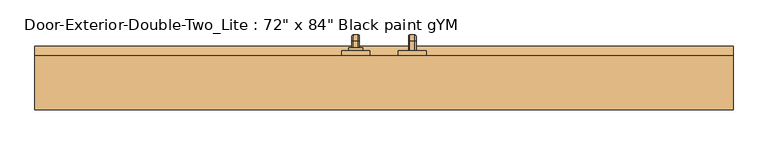
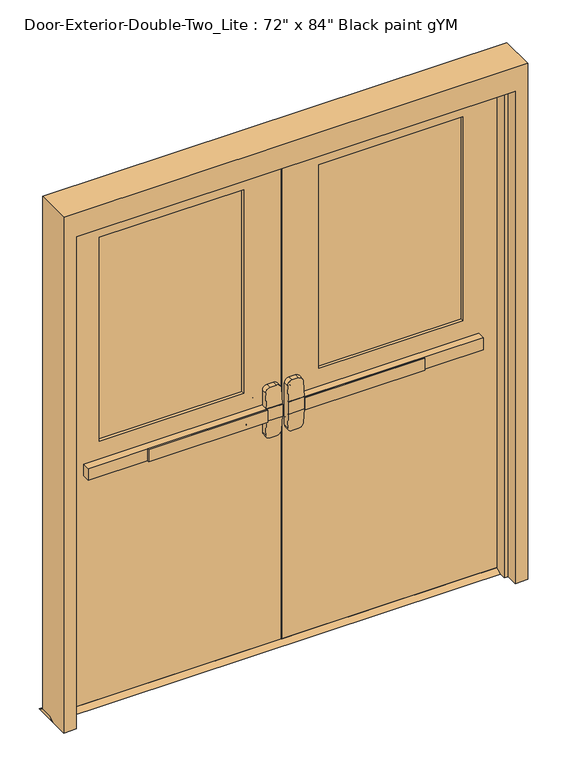
"""IFC4 building model written with IfcOpenShell, lengths in millimetres: door geometry."""

from ifc_helpers import new_model, si_unit, point, frame, frame_2d, origin, place, context, project, spatial, polyline, circle_curve, ellipse_curve, trimmed, segment, composite_curve, outline, extrude, faceted_brep, source, transform, mapped, element, save
from ifc_brep_helpers import plane_surface, cylinder_surface, revolved_surface, advanced_brep


def door_300db761(model_context):
    return source(origin(), model_context, "Body", "SolidModel", [
        extrude(outline(polyline([(-558.8, 78.7003125), (-558.8, 85.0503125), (-76.2, 85.0503125), (-76.2, 78.7003125), (-558.8, 78.7003125)])), frame((0.0, 0.0, 990.6), z_axis=(0.0, 0.0, 1.0), x_axis=(1.0, 0.0, 0.0)), (0.0, 0.0, 1.0), 50.8),
        advanced_brep(
        [(-12.7, 85.0503125, 1041.4), (-76.2, 85.0503125, 1041.4), (-800.1, 85.0503125, 1041.4), (-800.1, 85.0503125, 990.6), (-76.2, 85.0503125, 990.6), (-12.7, 85.0503125, 990.6), (-800.1, 116.8003125, 1041.4), (-76.2, 116.8003125, 1041.4), (-76.2, 116.8003125, 1104.9), (-57.15, 116.8003125, 1123.95), (-31.75, 116.8003125, 1123.95), (-12.7, 116.8003125, 1104.9), (-12.7, 116.8003125, 927.1), (-31.75, 116.8003125, 908.05), (-57.15, 116.8003125, 908.05), (-76.2, 116.8003125, 927.1), (-76.2, 116.8003125, 990.6), (-800.1, 116.8003125, 990.6), (-12.7, 88.2255592, 1041.4), (-76.2, 88.2255592, 1041.4), (-12.7, 88.2255592, 990.6), (-12.7, 93.2357394, 927.1), (-12.7, 93.2357394, 1104.9), (-76.2, 88.2255592, 990.6), (-76.2, 93.2357394, 1104.9), (-76.2, 93.2357394, 927.1), (-57.15, 94.7387935, 1123.95), (-31.75, 94.7387935, 1123.95), (-31.75, 94.7387935, 908.05), (-57.15, 94.7387935, 908.05)],
        [
            (0, 1),
            (1, 2),
            (2, 3),
            (3, 4),
            (4, 5),
            (5, 0),
            (6, 7),
            (7, 8),
            (8, 9, circle_curve(frame((-57.15, 116.8003125, 1104.9), z_axis=(0.0, 1.0, 0.0), x_axis=(-1.0, 0.0, 0.0)), 19.05)),
            (9, 10),
            (10, 11, circle_curve(frame((-31.75, 116.8003125, 1104.9), z_axis=(0.0, 1.0, 0.0), x_axis=(-1.0, 0.0, 0.0)), 19.05)),
            (11, 12),
            (12, 13, circle_curve(frame((-31.75, 116.8003125, 927.1), z_axis=(0.0, 1.0, 0.0), x_axis=(-1.0, 0.0, 0.0)), 19.05)),
            (13, 14),
            (14, 15, circle_curve(frame((-57.15, 116.8003125, 927.1), z_axis=(0.0, 1.0, 0.0), x_axis=(-1.0, 0.0, 0.0)), 19.05)),
            (15, 16),
            (16, 17),
            (17, 6),
            (0, 18),
            (18, 19),
            (19, 7),
            (6, 2),
            (5, 20),
            (20, 21),
            (21, 12),
            (11, 22),
            (22, 18),
            (16, 23),
            (23, 20),
            (3, 17),
            (19, 24),
            (24, 8),
            (15, 25),
            (25, 23),
            (9, 26),
            (26, 27),
            (27, 10),
            (13, 28),
            (28, 29),
            (29, 14),
            (29, 25, ellipse_curve(frame((-57.15, 93.2357394, 927.1), z_axis=(0.0, 0.9969018152893365, 0.07865602756830282), x_axis=(0.0, -0.07865602756830208, 0.9969018152893365)), 19.1092038, 19.05)),
            (24, 26, ellipse_curve(frame((-57.15, 93.2357394, 1104.9), z_axis=(0.0, 0.9969018152893376, -0.07865602756828934), x_axis=(0.0, -0.078656027568288, -0.9969018152893377)), 19.1092038, 19.05)),
            (27, 22, ellipse_curve(frame((-31.75, 93.2357394, 1104.9), z_axis=(0.0, 0.9969018152893376, -0.07865602756828934), x_axis=(0.0, -0.078656027568288, -0.9969018152893377)), 19.1092038, 19.05)),
            (21, 28, ellipse_curve(frame((-31.75, 93.2357394, 927.1), z_axis=(0.0, 0.9969018152893365, 0.07865602756830282), x_axis=(0.0, -0.07865602756830208, 0.9969018152893365)), 19.1092038, 19.05)),
        ],
        [
            plane_surface(frame((-12.7, 85.0503125, 1041.4), z_axis=(0.0, -1.0, 0.0), x_axis=(1.0, 0.0, 0.0))),
            plane_surface(frame((-12.7, 116.8003125, 1041.4), z_axis=(0.0, 1.0, 0.0), x_axis=(-1.0, 0.0, 0.0))),
            plane_surface(frame((-800.1, 85.0503125, 1041.4), z_axis=(0.0, 0.0, 1.0), x_axis=(0.0, 1.0, 0.0))),
            plane_surface(frame((-12.7, 85.0503125, 1041.4), z_axis=(1.0, 0.0, 0.0), x_axis=(0.0, 1.0, 0.0))),
            plane_surface(frame((-12.7, 85.0503125, 990.6), z_axis=(0.0, 0.0, -1.0), x_axis=(0.0, 1.0, 0.0))),
            plane_surface(frame((-800.1, 85.0503125, 990.6), z_axis=(-1.0, 0.0, 0.0), x_axis=(0.0, 1.0, 0.0))),
            plane_surface(frame((-76.2, 88.2255592, 927.1), z_axis=(-1.0, 0.0, 0.0), x_axis=(0.0, 1.0, 0.0))),
            plane_surface(frame((-57.15, 88.2255592, 1123.95), z_axis=(0.0, 0.0, 1.0), x_axis=(0.0, 1.0, 0.0))),
            plane_surface(frame((-31.75, 88.2255592, 908.05), z_axis=(0.0, 0.0, -1.0), x_axis=(0.0, 1.0, 0.0))),
            cylinder_surface(frame((-57.15, 116.8003125, 927.1), z_axis=(0.0, -1.0, 0.0), x_axis=(-1.0, 0.0, 0.0)), 19.05),
            cylinder_surface(frame((-57.15, 116.8003125, 1104.9), z_axis=(0.0, -1.0, 0.0), x_axis=(-1.0, 0.0, 0.0)), 19.05),
            cylinder_surface(frame((-31.75, 116.8003125, 1104.9), z_axis=(0.0, -1.0, 0.0), x_axis=(-1.0, 0.0, 0.0)), 19.05),
            cylinder_surface(frame((-31.75, 116.8003125, 927.1), z_axis=(0.0, -1.0, 0.0), x_axis=(-1.0, 0.0, 0.0)), 19.05),
            plane_surface(frame((-76.2, 88.2255592, 1041.4), z_axis=(0.0, -0.9969018152893376, 0.07865602756828934), x_axis=(1.0, 0.0, 0.0))),
            plane_surface(frame((-76.2, 94.7387935, 908.05), z_axis=(0.0, -0.9969018152893365, -0.07865602756830282), x_axis=(1.0, 0.0, 0.0))),
        ],
        [
            (0, [[1, 2, 3, 4, 5, 6]]),
            (1, [[7, 8, 9, 10, 11, 12, 13, 14, 15, 16, 17, 18]]),
            (2, [[-2, -1, 19, 20, 21, -7, 22]]),
            (3, [[23, 24, 25, -12, 26, 27, -19, -6]]),
            (4, [[-17, 28, 29, -23, -5, -4, 30]]),
            (5, [[-22, -18, -30, -3]]),
            (6, [[-21, 31, 32, -8]]),
            (6, [[33, 34, -28, -16]]),
            (7, [[35, 36, 37, -10]]),
            (8, [[38, 39, 40, -14]]),
            (9, [[-40, 41, -33, -15]]),
            (10, [[-32, 42, -35, -9]]),
            (11, [[-37, 43, -26, -11]]),
            (12, [[-25, 44, -38, -13]]),
            (13, [[-27, -43, -36, -42, -31, -20]]),
            (14, [[-29, -34, -41, -39, -44, -24]]),
        ],
    ),
        extrude(outline(polyline([(161.2503125, 12.7), (186.6503125, 0.0), (91.4003125, 0.0), (116.8003125, 12.7), (161.2503125, 12.7)])), frame((-939.8, 0.0, 0.0), z_axis=(1.0, 0.0, 0.0), x_axis=(0.0, 1.0, 0.0)), (0.0, 0.0, 1.0), 1879.6),
        extrude(outline(polyline([(558.8, 78.7003125), (76.2, 78.7003125), (76.2, 85.0503125), (558.8, 85.0503125), (558.8, 78.7003125)])), frame((0.0, 0.0, 990.6), z_axis=(0.0, 0.0, 1.0), x_axis=(1.0, 0.0, 0.0)), (0.0, 0.0, 1.0), 50.8),
        advanced_brep(
        [(12.7, 85.0503125, 1041.4), (12.7, 85.0503125, 990.6), (76.2, 85.0503125, 990.6), (800.1, 85.0503125, 990.6), (800.1, 85.0503125, 1041.4), (76.2, 85.0503125, 1041.4), (800.1, 116.8003125, 1041.4), (800.1, 116.8003125, 990.6), (76.2, 116.8003125, 990.6), (76.2, 116.8003125, 927.1), (57.15, 116.8003125, 908.05), (31.75, 116.8003125, 908.05), (12.7, 116.8003125, 927.1), (12.7, 116.8003125, 1104.9), (31.75, 116.8003125, 1123.95), (57.15, 116.8003125, 1123.95), (76.2, 116.8003125, 1104.9), (76.2, 116.8003125, 1041.4), (76.2, 88.2255592, 1041.4), (12.7, 88.2255592, 1041.4), (12.7, 93.2357394, 1104.9), (12.7, 93.2357394, 927.1), (12.7, 88.2255592, 990.6), (76.2, 88.2255592, 990.6), (76.2, 93.2357394, 927.1), (76.2, 93.2357394, 1104.9), (31.75, 94.7387935, 1123.95), (57.15, 94.7387935, 1123.95), (57.15, 94.7387935, 908.05), (31.75, 94.7387935, 908.05)],
        [
            (0, 1),
            (1, 2),
            (2, 3),
            (3, 4),
            (4, 5),
            (5, 0),
            (6, 7),
            (7, 8),
            (8, 9),
            (9, 10, circle_curve(frame((57.15, 116.8003125, 927.1), z_axis=(0.0, 1.0, 0.0), x_axis=(1.0, 0.0, 0.0)), 19.05)),
            (10, 11),
            (11, 12, circle_curve(frame((31.75, 116.8003125, 927.1), z_axis=(0.0, 1.0, 0.0), x_axis=(1.0, 0.0, 0.0)), 19.05)),
            (12, 13),
            (13, 14, circle_curve(frame((31.75, 116.8003125, 1104.9), z_axis=(0.0, 1.0, 0.0), x_axis=(1.0, 0.0, 0.0)), 19.05)),
            (14, 15),
            (15, 16, circle_curve(frame((57.15, 116.8003125, 1104.9), z_axis=(0.0, 1.0, 0.0), x_axis=(1.0, 0.0, 0.0)), 19.05)),
            (16, 17),
            (17, 6),
            (4, 6),
            (17, 18),
            (18, 19),
            (19, 0),
            (19, 20),
            (20, 13),
            (12, 21),
            (21, 22),
            (22, 1),
            (7, 3),
            (22, 23),
            (23, 8),
            (23, 24),
            (24, 9),
            (16, 25),
            (25, 18),
            (14, 26),
            (26, 27),
            (27, 15),
            (10, 28),
            (28, 29),
            (29, 11),
            (24, 28, ellipse_curve(frame((57.15, 93.2357394, 927.1), z_axis=(0.0, 0.9969018152893365, 0.07865602756830282), x_axis=(0.0, -0.07865602756830208, 0.9969018152893365)), 19.1092038, 19.05)),
            (27, 25, ellipse_curve(frame((57.15, 93.2357394, 1104.9), z_axis=(0.0, 0.9969018152893376, -0.07865602756828934), x_axis=(0.0, -0.078656027568288, -0.9969018152893377)), 19.1092038, 19.05)),
            (20, 26, ellipse_curve(frame((31.75, 93.2357394, 1104.9), z_axis=(0.0, 0.9969018152893376, -0.07865602756828934), x_axis=(0.0, -0.078656027568288, -0.9969018152893377)), 19.1092038, 19.05)),
            (29, 21, ellipse_curve(frame((31.75, 93.2357394, 927.1), z_axis=(0.0, 0.9969018152893365, 0.07865602756830282), x_axis=(0.0, -0.07865602756830208, 0.9969018152893365)), 19.1092038, 19.05)),
        ],
        [
            plane_surface(frame((12.7, 85.0503125, 1041.4), z_axis=(0.0, -1.0, 0.0), x_axis=(-1.0, 0.0, 0.0))),
            plane_surface(frame((12.7, 116.8003125, 1041.4), z_axis=(0.0, 1.0, 0.0), x_axis=(1.0, 0.0, 0.0))),
            plane_surface(frame((800.1, 85.0503125, 1041.4), z_axis=(0.0, 0.0, 1.0), x_axis=(0.0, 1.0, 0.0))),
            plane_surface(frame((12.7, 85.0503125, 1041.4), z_axis=(-1.0, 0.0, 0.0), x_axis=(0.0, 1.0, 0.0))),
            plane_surface(frame((12.7, 85.0503125, 990.6), z_axis=(0.0, 0.0, -1.0), x_axis=(0.0, 1.0, 0.0))),
            plane_surface(frame((800.1, 85.0503125, 990.6), z_axis=(1.0, 0.0, 0.0), x_axis=(0.0, 1.0, 0.0))),
            plane_surface(frame((76.2, 88.2255592, 927.1), z_axis=(1.0, 0.0, 0.0), x_axis=(0.0, 1.0, 0.0))),
            plane_surface(frame((57.15, 88.2255592, 1123.95), z_axis=(0.0, 0.0, 1.0), x_axis=(0.0, 1.0, 0.0))),
            plane_surface(frame((31.75, 88.2255592, 908.05), z_axis=(0.0, 0.0, -1.0), x_axis=(0.0, 1.0, 0.0))),
            cylinder_surface(frame((57.15, 116.8003125, 927.1), z_axis=(0.0, -1.0, 0.0), x_axis=(1.0, 0.0, 0.0)), 19.05),
            cylinder_surface(frame((57.15, 116.8003125, 1104.9), z_axis=(0.0, -1.0, 0.0), x_axis=(1.0, 0.0, 0.0)), 19.05),
            cylinder_surface(frame((31.75, 116.8003125, 1104.9), z_axis=(0.0, -1.0, 0.0), x_axis=(1.0, 0.0, 0.0)), 19.05),
            cylinder_surface(frame((31.75, 116.8003125, 927.1), z_axis=(0.0, -1.0, 0.0), x_axis=(1.0, 0.0, 0.0)), 19.05),
            plane_surface(frame((76.2, 88.2255592, 1041.4), z_axis=(0.0, -0.9969018152893376, 0.07865602756828934), x_axis=(-1.0, 0.0, 0.0))),
            plane_surface(frame((76.2, 94.7387935, 908.05), z_axis=(0.0, -0.9969018152893365, -0.07865602756830282), x_axis=(-1.0, 0.0, 0.0))),
        ],
        [
            (0, [[1, 2, 3, 4, 5, 6]]),
            (1, [[7, 8, 9, 10, 11, 12, 13, 14, 15, 16, 17, 18]]),
            (2, [[19, -18, 20, 21, 22, -6, -5]]),
            (3, [[-1, -22, 23, 24, -13, 25, 26, 27]]),
            (4, [[28, -3, -2, -27, 29, 30, -8]]),
            (5, [[-4, -28, -7, -19]]),
            (6, [[-9, -30, 31, 32]]),
            (6, [[-17, 33, 34, -20]]),
            (7, [[-15, 35, 36, 37]]),
            (8, [[-11, 38, 39, 40]]),
            (9, [[-10, -32, 41, -38]]),
            (10, [[-16, -37, 42, -33]]),
            (11, [[-14, -24, 43, -35]]),
            (12, [[-12, -40, 44, -25]]),
            (13, [[-21, -34, -42, -36, -43, -23]]),
            (14, [[-26, -44, -39, -41, -31, -29]]),
        ],
    ),
        advanced_brep(
        [(66.2, 173.9503125, 1017.190625), (66.2, 173.9503125, 1014.809375), (69.771875, 173.9503125, 1011.2375), (82.6284594, 173.9503125, 1011.2375), (86.2, 173.9503125, 1014.8090406), (86.2, 173.9503125, 1017.190625), (82.628125, 173.9503125, 1020.7625), (69.771875, 173.9503125, 1020.7625), (66.2, 173.9503125, 887.809375), (69.771875, 173.9503125, 884.2375), (82.628125, 173.9503125, 884.2375), (86.2, 173.9503125, 887.809375), (86.2, 173.9503125, 890.1909594), (82.6284594, 173.9503125, 893.7625), (69.771875, 173.9503125, 893.7625), (66.2, 173.9503125, 890.190625), (66.2, 199.3503125, 1017.190625), (66.2, 213.2409375, 1003.3), (66.2, 213.2409375, 901.7), (66.2, 199.3503125, 887.809375), (66.2, 199.3503125, 890.190625), (66.2, 210.8596875, 901.7), (66.2, 210.8596875, 1003.3), (66.2, 199.3503125, 1014.809375), (69.771875, 199.3503125, 1011.2375), (82.6284594, 199.3503125, 1011.2375), (86.2, 199.3503125, 1014.8090406), (86.2, 210.8593531, 1003.3), (86.2, 210.8593531, 901.7), (86.2, 199.3503125, 890.1909594), (86.2, 199.3503125, 887.809375), (86.2, 213.2409375, 901.7), (86.2, 213.2409375, 1003.3), (86.2, 199.3503125, 1017.190625), (82.628125, 199.3503125, 1020.7625), (69.771875, 199.3503125, 1020.7625), (69.771875, 207.2878125, 1003.3), (82.6284594, 207.2878125, 1003.3), (82.628125, 216.8128125, 1003.3), (69.771875, 216.8128125, 1003.3), (69.771875, 207.2878125, 901.7), (82.6284594, 207.2878125, 901.7), (82.628125, 216.8128125, 901.7), (69.771875, 216.8128125, 901.7), (69.771875, 199.3503125, 893.7625), (82.6284594, 199.3503125, 893.7625), (82.628125, 199.3503125, 884.2375), (69.771875, 199.3503125, 884.2375)],
        [
            (0, 1),
            (1, 2, circle_curve(frame((69.771875, 173.9503125, 1014.809375), z_axis=(0.0, -1.0, 0.0), x_axis=(0.0, 0.0, 1.0)), 3.571875)),
            (2, 3),
            (3, 4, circle_curve(frame((82.6284594, 173.9503125, 1014.8090406), z_axis=(0.0, -1.0, 0.0), x_axis=(0.0, 0.0, 1.0)), 3.5715406)),
            (4, 5),
            (5, 6, circle_curve(frame((82.628125, 173.9503125, 1017.190625), z_axis=(0.0, -1.0, 0.0), x_axis=(0.0, 0.0, 1.0)), 3.571875)),
            (6, 7),
            (7, 0, circle_curve(frame((69.771875, 173.9503125, 1017.190625), z_axis=(0.0, -1.0, 0.0), x_axis=(0.0, 0.0, 1.0)), 3.571875)),
            (8, 9, circle_curve(frame((69.771875, 173.9503125, 887.809375), z_axis=(0.0, -1.0, 0.0), x_axis=(0.0, 0.0, -1.0)), 3.571875)),
            (9, 10),
            (10, 11, circle_curve(frame((82.628125, 173.9503125, 887.809375), z_axis=(0.0, -1.0, 0.0), x_axis=(0.0, 0.0, -1.0)), 3.571875)),
            (11, 12),
            (12, 13, circle_curve(frame((82.6284594, 173.9503125, 890.1909594), z_axis=(0.0, -1.0, 0.0), x_axis=(0.0, 0.0, -1.0)), 3.5715406)),
            (13, 14),
            (14, 15, circle_curve(frame((69.771875, 173.9503125, 890.190625), z_axis=(0.0, -1.0, 0.0), x_axis=(0.0, 0.0, -1.0)), 3.571875)),
            (15, 8),
            (0, 16),
            (16, 17, circle_curve(frame((66.2, 199.3503125, 1003.3), z_axis=(-1.0, 0.0, 0.0), x_axis=(0.0, 0.0, 1.0)), 13.890625)),
            (17, 18),
            (18, 19, circle_curve(frame((66.2, 199.3503125, 901.7), z_axis=(-1.0, 0.0, 0.0), x_axis=(0.0, 1.0, 0.0)), 13.890625)),
            (19, 8),
            (15, 20),
            (20, 21, circle_curve(frame((66.2, 199.3503125, 901.7), z_axis=(1.0, 0.0, 0.0), x_axis=(0.0, 1.0, 0.0)), 11.509375)),
            (21, 22),
            (22, 23, circle_curve(frame((66.2, 199.3503125, 1003.3), z_axis=(1.0, 0.0, 0.0), x_axis=(0.0, 0.0, 1.0)), 11.509375)),
            (23, 1),
            (23, 24, circle_curve(frame((69.771875, 199.3503125, 1014.809375), z_axis=(0.0, -1.0, 0.0), x_axis=(0.0, 0.0, 1.0)), 3.571875)),
            (24, 2),
            (24, 25),
            (25, 3),
            (25, 26, circle_curve(frame((82.6284594, 199.3503125, 1014.8090406), z_axis=(0.0, -1.0, 0.0), x_axis=(0.0, 0.0, 1.0)), 3.5715406)),
            (26, 4),
            (26, 27, circle_curve(frame((86.2, 199.3503125, 1003.3), z_axis=(-1.0, 0.0, 0.0), x_axis=(0.0, 0.0, 1.0)), 11.5090406)),
            (27, 28),
            (28, 29, circle_curve(frame((86.2, 199.3503125, 901.7), z_axis=(-1.0, 0.0, 0.0), x_axis=(0.0, 1.0, 0.0)), 11.5090406)),
            (29, 12),
            (11, 30),
            (30, 31, circle_curve(frame((86.2, 199.3503125, 901.7), z_axis=(1.0, 0.0, 0.0), x_axis=(0.0, 1.0, 0.0)), 13.890625)),
            (31, 32),
            (32, 33, circle_curve(frame((86.2, 199.3503125, 1003.3), z_axis=(1.0, 0.0, 0.0), x_axis=(0.0, 0.0, 1.0)), 13.890625)),
            (33, 5),
            (33, 34, circle_curve(frame((82.628125, 199.3503125, 1017.190625), z_axis=(0.0, -1.0, 0.0), x_axis=(0.0, 0.0, 1.0)), 3.571875)),
            (34, 6),
            (34, 35),
            (35, 7),
            (35, 16, circle_curve(frame((69.771875, 199.3503125, 1017.190625), z_axis=(0.0, -1.0, 0.0), x_axis=(0.0, 0.0, 1.0)), 3.571875)),
            (36, 24, circle_curve(frame((69.771875, 199.3503125, 1003.3), z_axis=(1.0, 0.0, 0.0), x_axis=(0.0, 0.0, 1.0)), 7.9375)),
            (22, 36, circle_curve(frame((69.771875, 210.8596875, 1003.3), z_axis=(0.0, 0.0, 1.0), x_axis=(0.0, 1.0, 0.0)), 3.571875)),
            (37, 25, circle_curve(frame((82.6284594, 199.3503125, 1003.3), z_axis=(1.0, 0.0, 0.0), x_axis=(0.0, 0.0, 1.0)), 7.9375)),
            (36, 37),
            (37, 27, circle_curve(frame((82.6284594, 210.8593531, 1003.3), z_axis=(0.0, 0.0, 1.0), x_axis=(0.0, 1.0, 0.0)), 3.5715406)),
            (38, 34, circle_curve(frame((82.628125, 199.3503125, 1003.3), z_axis=(1.0, 0.0, 0.0), x_axis=(0.0, 0.0, 1.0)), 17.4625)),
            (32, 38, circle_curve(frame((82.628125, 213.2409375, 1003.3), z_axis=(0.0, 0.0, 1.0), x_axis=(0.0, 1.0, 0.0)), 3.571875)),
            (39, 35, circle_curve(frame((69.771875, 199.3503125, 1003.3), z_axis=(1.0, 0.0, 0.0), x_axis=(0.0, 0.0, 1.0)), 17.4625)),
            (38, 39),
            (39, 17, circle_curve(frame((69.771875, 213.2409375, 1003.3), z_axis=(0.0, 0.0, 1.0), x_axis=(0.0, 1.0, 0.0)), 3.571875)),
            (21, 40, circle_curve(frame((69.771875, 210.8596875, 901.7), z_axis=(0.0, 0.0, 1.0), x_axis=(0.0, 1.0, 0.0)), 3.571875)),
            (40, 36),
            (40, 41),
            (41, 37),
            (41, 28, circle_curve(frame((82.6284594, 210.8593531, 901.7), z_axis=(0.0, 0.0, 1.0), x_axis=(0.0, 1.0, 0.0)), 3.5715406)),
            (31, 42, circle_curve(frame((82.628125, 213.2409375, 901.7), z_axis=(0.0, 0.0, 1.0), x_axis=(0.0, 1.0, 0.0)), 3.571875)),
            (42, 38),
            (42, 43),
            (43, 39),
            (43, 18, circle_curve(frame((69.771875, 213.2409375, 901.7), z_axis=(0.0, 0.0, 1.0), x_axis=(0.0, 1.0, 0.0)), 3.571875)),
            (44, 40, circle_curve(frame((69.771875, 199.3503125, 901.7), z_axis=(1.0, 0.0, 0.0), x_axis=(0.0, 1.0, 0.0)), 7.9375)),
            (20, 44, circle_curve(frame((69.771875, 199.3503125, 890.190625), z_axis=(0.0, 1.0, 0.0), x_axis=(0.0, 0.0, -1.0)), 3.571875)),
            (45, 41, circle_curve(frame((82.6284594, 199.3503125, 901.7), z_axis=(1.0, 0.0, 0.0), x_axis=(0.0, 1.0, 0.0)), 7.9375)),
            (44, 45),
            (45, 29, circle_curve(frame((82.6284594, 199.3503125, 890.1909594), z_axis=(0.0, 1.0, 0.0), x_axis=(0.0, 0.0, -1.0)), 3.5715406)),
            (46, 42, circle_curve(frame((82.628125, 199.3503125, 901.7), z_axis=(1.0, 0.0, 0.0), x_axis=(0.0, 1.0, 0.0)), 17.4625)),
            (30, 46, circle_curve(frame((82.628125, 199.3503125, 887.809375), z_axis=(0.0, 1.0, 0.0), x_axis=(0.0, 0.0, -1.0)), 3.571875)),
            (47, 43, circle_curve(frame((69.771875, 199.3503125, 901.7), z_axis=(1.0, 0.0, 0.0), x_axis=(0.0, 1.0, 0.0)), 17.4625)),
            (46, 47),
            (47, 19, circle_curve(frame((69.771875, 199.3503125, 887.809375), z_axis=(0.0, 1.0, 0.0), x_axis=(0.0, 0.0, -1.0)), 3.571875)),
            (14, 44),
            (13, 45),
            (10, 46),
            (9, 47),
        ],
        [
            plane_surface(frame((76.2, 173.9503125, 1016.0), z_axis=(0.0, -1.0, 0.0), x_axis=(1.0, 0.0, 0.0))),
            plane_surface(frame((76.2, 173.9503125, 889.0), z_axis=(0.0, -1.0, 0.0), x_axis=(1.0, 0.0, 0.0))),
            plane_surface(frame((66.2, 173.9503125, 1017.190625), z_axis=(-1.0, 0.0, 0.0), x_axis=(0.0, 1.0, 0.0))),
            cylinder_surface(frame((69.771875, 173.9503125, 1014.809375), z_axis=(0.0, -1.0, 0.0), x_axis=(0.0, 0.0, 1.0)), 3.571875),
            plane_surface(frame((69.771875, 173.9503125, 1011.2375), z_axis=(0.0, 0.0, -1.0), x_axis=(0.0, 1.0, 0.0))),
            cylinder_surface(frame((82.6284594, 173.9503125, 1014.8090406), z_axis=(0.0, -1.0, 0.0), x_axis=(0.0, 0.0, 1.0)), 3.5715406),
            plane_surface(frame((86.2, 173.9503125, 1014.8090406), z_axis=(1.0, 0.0, 0.0), x_axis=(0.0, 1.0, 0.0))),
            cylinder_surface(frame((82.628125, 173.9503125, 1017.190625), z_axis=(0.0, -1.0, 0.0), x_axis=(0.0, 0.0, 1.0)), 3.571875),
            plane_surface(frame((82.628125, 173.9503125, 1020.7625), z_axis=(0.0, 0.0, 1.0), x_axis=(0.0, 1.0, 0.0))),
            cylinder_surface(frame((69.771875, 173.9503125, 1017.190625), z_axis=(0.0, -1.0, 0.0), x_axis=(0.0, 0.0, 1.0)), 3.571875),
            revolved_surface(trimmed(ellipse_curve(frame((69.771875, 199.3503125, 1014.809375), z_axis=(0.0, -1.0, 0.0), x_axis=(0.0, 0.0, 1.0)), 3.571875, 3.571875), [point((66.2, 199.3503125, 1014.809375))], [point((69.771875, 199.3503125, 1011.2375))], True, "CARTESIAN"), (76.2, 199.3503125, 1003.3), (-1.0, 0.0, 0.0)),
            revolved_surface(polyline([(69.771875, 199.3503125, 1011.2375), (82.6284594, 199.3503125, 1011.2375)]), (76.2, 199.3503125, 1003.3), (-1.0, 0.0, 0.0)),
            revolved_surface(trimmed(ellipse_curve(frame((82.6284594, 199.3503125, 1014.8090406), z_axis=(0.0, -1.0, 0.0), x_axis=(0.0, 0.0, 1.0)), 3.5715406, 3.5715406), [point((82.6284594, 199.3503125, 1011.2375))], [point((86.2, 199.3503125, 1014.8090406))], True, "CARTESIAN"), (76.2, 199.3503125, 1003.3), (-1.0, 0.0, 0.0)),
            revolved_surface(trimmed(ellipse_curve(frame((82.628125, 199.3503125, 1017.190625), z_axis=(0.0, -1.0, 0.0), x_axis=(0.0, 0.0, 1.0)), 3.571875, 3.571875), [point((86.2, 199.3503125, 1017.190625))], [point((82.628125, 199.3503125, 1020.7625))], True, "CARTESIAN"), (76.2, 199.3503125, 1003.3), (-1.0, 0.0, 0.0)),
            cylinder_surface(frame((76.2, 199.3503125, 1003.3), z_axis=(-1.0, 0.0, 0.0), x_axis=(0.0, 0.0, 1.0)), 17.4625),
            revolved_surface(trimmed(ellipse_curve(frame((69.771875, 199.3503125, 1017.190625), z_axis=(0.0, -1.0, 0.0), x_axis=(0.0, 0.0, 1.0)), 3.571875, 3.571875), [point((69.771875, 199.3503125, 1020.7625))], [point((66.2, 199.3503125, 1017.190625))], True, "CARTESIAN"), (76.2, 199.3503125, 1003.3), (-1.0, 0.0, 0.0)),
            cylinder_surface(frame((69.771875, 210.8596875, 1003.3), z_axis=(0.0, 0.0, 1.0), x_axis=(0.0, 1.0, 0.0)), 3.571875),
            plane_surface(frame((69.771875, 207.2878125, 1003.3), z_axis=(0.0, -1.0, 0.0), x_axis=(0.0, 0.0, -1.0))),
            cylinder_surface(frame((82.6284594, 210.8593531, 1003.3), z_axis=(0.0, 0.0, 1.0), x_axis=(0.0, 1.0, 0.0)), 3.5715406),
            cylinder_surface(frame((82.628125, 213.2409375, 1003.3), z_axis=(0.0, 0.0, 1.0), x_axis=(0.0, 1.0, 0.0)), 3.571875),
            plane_surface(frame((82.628125, 216.8128125, 1003.3), z_axis=(0.0, 1.0, 0.0), x_axis=(0.0, 0.0, -1.0))),
            cylinder_surface(frame((69.771875, 213.2409375, 1003.3), z_axis=(0.0, 0.0, 1.0), x_axis=(0.0, 1.0, 0.0)), 3.571875),
            revolved_surface(trimmed(ellipse_curve(frame((69.771875, 210.8596875, 901.7), z_axis=(0.0, 0.0, 1.0), x_axis=(0.0, 1.0, 0.0)), 3.571875, 3.571875), [point((66.2, 210.8596875, 901.7))], [point((69.771875, 207.2878125, 901.7))], True, "CARTESIAN"), (76.2, 199.3503125, 901.7), (-1.0, 0.0, 0.0)),
            revolved_surface(polyline([(69.771875, 207.2878125, 901.7), (82.6284594, 207.2878125, 901.7)]), (76.2, 199.3503125, 901.7), (-1.0, 0.0, 0.0)),
            revolved_surface(trimmed(ellipse_curve(frame((82.6284594, 210.8593531, 901.7), z_axis=(0.0, 0.0, 1.0), x_axis=(0.0, 1.0, 0.0)), 3.5715406, 3.5715406), [point((82.6284594, 207.2878125, 901.7))], [point((86.2, 210.8593531, 901.7))], True, "CARTESIAN"), (76.2, 199.3503125, 901.7), (-1.0, 0.0, 0.0)),
            revolved_surface(trimmed(ellipse_curve(frame((82.628125, 213.2409375, 901.7), z_axis=(0.0, 0.0, 1.0), x_axis=(0.0, 1.0, 0.0)), 3.571875, 3.571875), [point((86.2, 213.2409375, 901.7))], [point((82.628125, 216.8128125, 901.7))], True, "CARTESIAN"), (76.2, 199.3503125, 901.7), (-1.0, 0.0, 0.0)),
            cylinder_surface(frame((76.2, 199.3503125, 901.7), z_axis=(-1.0, 0.0, 0.0), x_axis=(0.0, 1.0, 0.0)), 17.4625),
            revolved_surface(trimmed(ellipse_curve(frame((69.771875, 213.2409375, 901.7), z_axis=(0.0, 0.0, 1.0), x_axis=(0.0, 1.0, 0.0)), 3.571875, 3.571875), [point((69.771875, 216.8128125, 901.7))], [point((66.2, 213.2409375, 901.7))], True, "CARTESIAN"), (76.2, 199.3503125, 901.7), (-1.0, 0.0, 0.0)),
            cylinder_surface(frame((69.771875, 199.3503125, 890.190625), z_axis=(0.0, 1.0, 0.0), x_axis=(0.0, 0.0, -1.0)), 3.571875),
            plane_surface(frame((69.771875, 199.3503125, 893.7625), z_axis=(0.0, 0.0, 1.0), x_axis=(0.0, -1.0, 0.0))),
            cylinder_surface(frame((82.6284594, 199.3503125, 890.1909594), z_axis=(0.0, 1.0, 0.0), x_axis=(0.0, 0.0, -1.0)), 3.5715406),
            cylinder_surface(frame((82.628125, 199.3503125, 887.809375), z_axis=(0.0, 1.0, 0.0), x_axis=(0.0, 0.0, -1.0)), 3.571875),
            plane_surface(frame((82.628125, 199.3503125, 884.2375), z_axis=(0.0, 0.0, -1.0), x_axis=(0.0, -1.0, 0.0))),
            cylinder_surface(frame((69.771875, 199.3503125, 887.809375), z_axis=(0.0, 1.0, 0.0), x_axis=(0.0, 0.0, -1.0)), 3.571875),
        ],
        [
            (0, [[1, 2, 3, 4, 5, 6, 7, 8]]),
            (1, [[9, 10, 11, 12, 13, 14, 15, 16]]),
            (2, [[-1, 17, 18, 19, 20, 21, -16, 22, 23, 24, 25, 26]]),
            (3, [[-2, -26, 27, 28]]),
            (4, [[-3, -28, 29, 30]]),
            (5, [[-4, -30, 31, 32]]),
            (6, [[-5, -32, 33, 34, 35, 36, -12, 37, 38, 39, 40, 41]]),
            (7, [[-6, -41, 42, 43]]),
            (8, [[-7, -43, 44, 45]]),
            (9, [[-8, -45, 46, -17]]),
            (10, [[47, -27, -25, 48]]),
            (11, [[49, -29, -47, 50]]),
            (12, [[-33, -31, -49, 51]]),
            (13, [[52, -42, -40, 53]]),
            (14, [[54, -44, -52, 55]]),
            (15, [[-18, -46, -54, 56]]),
            (16, [[-48, -24, 57, 58]]),
            (17, [[-50, -58, 59, 60]]),
            (18, [[-51, -60, 61, -34]]),
            (19, [[-53, -39, 62, 63]]),
            (20, [[-55, -63, 64, 65]]),
            (21, [[-56, -65, 66, -19]]),
            (22, [[67, -57, -23, 68]]),
            (23, [[69, -59, -67, 70]]),
            (24, [[-35, -61, -69, 71]]),
            (25, [[72, -62, -38, 73]]),
            (26, [[74, -64, -72, 75]]),
            (27, [[-20, -66, -74, 76]]),
            (28, [[-68, -22, -15, 77]]),
            (29, [[-70, -77, -14, 78]]),
            (30, [[-71, -78, -13, -36]]),
            (31, [[-73, -37, -11, 79]]),
            (32, [[-75, -79, -10, 80]]),
            (33, [[-76, -80, -9, -21]]),
        ],
    ),
        extrude(outline(composite_curve([segment(trimmed(circle_curve(frame_2d((1113.0338574, 76.2)), 89.3016225), [point((1193.8, 114.3))], [point((1193.8, 38.1))], False, "CARTESIAN"), True, "CONTINUOUS"), segment(polyline([(1193.8, 38.1), (838.2, 38.1)]), True, "CONTINUOUS"), segment(trimmed(circle_curve(frame_2d((918.9661426, 76.2)), 89.3016225), [point((838.2, 38.1))], [point((838.2, 114.3))], False, "CARTESIAN"), True, "CONTINUOUS"), segment(polyline([(838.2, 114.3), (1193.8, 114.3)]), True, "CONTINUOUS")], self_intersect=False)), frame((0.0, 161.2503125, 0.0), z_axis=(0.0, 1.0, 0.0), x_axis=(0.0, 0.0, 1.0)), (0.0, 0.0, 1.0), 12.7),
        advanced_brep(
        [(-86.2, 173.9503125, 1017.190625), (-86.2, 173.9503125, 1014.809375), (-82.628125, 173.9503125, 1011.2375), (-69.7715406, 173.9503125, 1011.2375), (-66.2, 173.9503125, 1014.8090406), (-66.2, 173.9503125, 1017.190625), (-69.771875, 173.9503125, 1020.7625), (-82.628125, 173.9503125, 1020.7625), (-86.2, 173.9503125, 887.809375), (-82.628125, 173.9503125, 884.2375), (-69.771875, 173.9503125, 884.2375), (-66.2, 173.9503125, 887.809375), (-66.2, 173.9503125, 890.1909594), (-69.7715406, 173.9503125, 893.7625), (-82.628125, 173.9503125, 893.7625), (-86.2, 173.9503125, 890.190625), (-86.2, 199.3503125, 1017.190625), (-86.2, 213.2409375, 1003.3), (-86.2, 213.2409375, 901.7), (-86.2, 199.3503125, 887.809375), (-86.2, 199.3503125, 890.190625), (-86.2, 210.8596875, 901.7), (-86.2, 210.8596875, 1003.3), (-86.2, 199.3503125, 1014.809375), (-82.628125, 199.3503125, 1011.2375), (-69.7715406, 199.3503125, 1011.2375), (-66.2, 199.3503125, 1014.8090406), (-66.2, 210.8593531, 1003.3), (-66.2, 210.8593531, 901.7), (-66.2, 199.3503125, 890.1909594), (-66.2, 199.3503125, 887.809375), (-66.2, 213.2409375, 901.7), (-66.2, 213.2409375, 1003.3), (-66.2, 199.3503125, 1017.190625), (-69.771875, 199.3503125, 1020.7625), (-82.628125, 199.3503125, 1020.7625), (-82.628125, 207.2878125, 1003.3), (-69.7715406, 207.2878125, 1003.3), (-69.771875, 216.8128125, 1003.3), (-82.628125, 216.8128125, 1003.3), (-82.628125, 207.2878125, 901.7), (-69.7715406, 207.2878125, 901.7), (-69.771875, 216.8128125, 901.7), (-82.628125, 216.8128125, 901.7), (-82.628125, 199.3503125, 893.7625), (-69.7715406, 199.3503125, 893.7625), (-69.771875, 199.3503125, 884.2375), (-82.628125, 199.3503125, 884.2375)],
        [
            (0, 1),
            (1, 2, circle_curve(frame((-82.628125, 173.9503125, 1014.809375), z_axis=(0.0, -1.0, 0.0), x_axis=(0.0, 0.0, 1.0)), 3.571875)),
            (2, 3),
            (3, 4, circle_curve(frame((-69.7715406, 173.9503125, 1014.8090406), z_axis=(0.0, -1.0, 0.0), x_axis=(0.0, 0.0, 1.0)), 3.5715406)),
            (4, 5),
            (5, 6, circle_curve(frame((-69.771875, 173.9503125, 1017.190625), z_axis=(0.0, -1.0, 0.0), x_axis=(0.0, 0.0, 1.0)), 3.571875)),
            (6, 7),
            (7, 0, circle_curve(frame((-82.628125, 173.9503125, 1017.190625), z_axis=(0.0, -1.0, 0.0), x_axis=(0.0, 0.0, 1.0)), 3.571875)),
            (8, 9, circle_curve(frame((-82.628125, 173.9503125, 887.809375), z_axis=(0.0, -1.0, 0.0), x_axis=(0.0, 0.0, -1.0)), 3.571875)),
            (9, 10),
            (10, 11, circle_curve(frame((-69.771875, 173.9503125, 887.809375), z_axis=(0.0, -1.0, 0.0), x_axis=(0.0, 0.0, -1.0)), 3.571875)),
            (11, 12),
            (12, 13, circle_curve(frame((-69.7715406, 173.9503125, 890.1909594), z_axis=(0.0, -1.0, 0.0), x_axis=(0.0, 0.0, -1.0)), 3.5715406)),
            (13, 14),
            (14, 15, circle_curve(frame((-82.628125, 173.9503125, 890.190625), z_axis=(0.0, -1.0, 0.0), x_axis=(0.0, 0.0, -1.0)), 3.571875)),
            (15, 8),
            (0, 16),
            (16, 17, circle_curve(frame((-86.2, 199.3503125, 1003.3), z_axis=(-1.0, 0.0, 0.0), x_axis=(0.0, 0.0, 1.0)), 13.890625)),
            (17, 18),
            (18, 19, circle_curve(frame((-86.2, 199.3503125, 901.7), z_axis=(-1.0, 0.0, 0.0), x_axis=(0.0, 1.0, 0.0)), 13.890625)),
            (19, 8),
            (15, 20),
            (20, 21, circle_curve(frame((-86.2, 199.3503125, 901.7), z_axis=(1.0, 0.0, 0.0), x_axis=(0.0, 1.0, 0.0)), 11.509375)),
            (21, 22),
            (22, 23, circle_curve(frame((-86.2, 199.3503125, 1003.3), z_axis=(1.0, 0.0, 0.0), x_axis=(0.0, 0.0, 1.0)), 11.509375)),
            (23, 1),
            (23, 24, circle_curve(frame((-82.628125, 199.3503125, 1014.809375), z_axis=(0.0, -1.0, 0.0), x_axis=(0.0, 0.0, 1.0)), 3.571875)),
            (24, 2),
            (24, 25),
            (25, 3),
            (25, 26, circle_curve(frame((-69.7715406, 199.3503125, 1014.8090406), z_axis=(0.0, -1.0, 0.0), x_axis=(0.0, 0.0, 1.0)), 3.5715406)),
            (26, 4),
            (26, 27, circle_curve(frame((-66.2, 199.3503125, 1003.3), z_axis=(-1.0, 0.0, 0.0), x_axis=(0.0, 0.0, 1.0)), 11.5090406)),
            (27, 28),
            (28, 29, circle_curve(frame((-66.2, 199.3503125, 901.7), z_axis=(-1.0, 0.0, 0.0), x_axis=(0.0, 1.0, 0.0)), 11.5090406)),
            (29, 12),
            (11, 30),
            (30, 31, circle_curve(frame((-66.2, 199.3503125, 901.7), z_axis=(1.0, 0.0, 0.0), x_axis=(0.0, 1.0, 0.0)), 13.890625)),
            (31, 32),
            (32, 33, circle_curve(frame((-66.2, 199.3503125, 1003.3), z_axis=(1.0, 0.0, 0.0), x_axis=(0.0, 0.0, 1.0)), 13.890625)),
            (33, 5),
            (33, 34, circle_curve(frame((-69.771875, 199.3503125, 1017.190625), z_axis=(0.0, -1.0, 0.0), x_axis=(0.0, 0.0, 1.0)), 3.571875)),
            (34, 6),
            (34, 35),
            (35, 7),
            (35, 16, circle_curve(frame((-82.628125, 199.3503125, 1017.190625), z_axis=(0.0, -1.0, 0.0), x_axis=(0.0, 0.0, 1.0)), 3.571875)),
            (36, 24, circle_curve(frame((-82.628125, 199.3503125, 1003.3), z_axis=(1.0, 0.0, 0.0), x_axis=(0.0, 0.0, 1.0)), 7.9375)),
            (22, 36, circle_curve(frame((-82.628125, 210.8596875, 1003.3), z_axis=(0.0, 0.0, 1.0), x_axis=(0.0, 1.0, 0.0)), 3.571875)),
            (37, 25, circle_curve(frame((-69.7715406, 199.3503125, 1003.3), z_axis=(1.0, 0.0, 0.0), x_axis=(0.0, 0.0, 1.0)), 7.9375)),
            (36, 37),
            (37, 27, circle_curve(frame((-69.7715406, 210.8593531, 1003.3), z_axis=(0.0, 0.0, 1.0), x_axis=(0.0, 1.0, 0.0)), 3.5715406)),
            (38, 34, circle_curve(frame((-69.771875, 199.3503125, 1003.3), z_axis=(1.0, 0.0, 0.0), x_axis=(0.0, 0.0, 1.0)), 17.4625)),
            (32, 38, circle_curve(frame((-69.771875, 213.2409375, 1003.3), z_axis=(0.0, 0.0, 1.0), x_axis=(0.0, 1.0, 0.0)), 3.571875)),
            (39, 35, circle_curve(frame((-82.628125, 199.3503125, 1003.3), z_axis=(1.0, 0.0, 0.0), x_axis=(0.0, 0.0, 1.0)), 17.4625)),
            (38, 39),
            (39, 17, circle_curve(frame((-82.628125, 213.2409375, 1003.3), z_axis=(0.0, 0.0, 1.0), x_axis=(0.0, 1.0, 0.0)), 3.571875)),
            (21, 40, circle_curve(frame((-82.628125, 210.8596875, 901.7), z_axis=(0.0, 0.0, 1.0), x_axis=(0.0, 1.0, 0.0)), 3.571875)),
            (40, 36),
            (40, 41),
            (41, 37),
            (41, 28, circle_curve(frame((-69.7715406, 210.8593531, 901.7), z_axis=(0.0, 0.0, 1.0), x_axis=(0.0, 1.0, 0.0)), 3.5715406)),
            (31, 42, circle_curve(frame((-69.771875, 213.2409375, 901.7), z_axis=(0.0, 0.0, 1.0), x_axis=(0.0, 1.0, 0.0)), 3.571875)),
            (42, 38),
            (42, 43),
            (43, 39),
            (43, 18, circle_curve(frame((-82.628125, 213.2409375, 901.7), z_axis=(0.0, 0.0, 1.0), x_axis=(0.0, 1.0, 0.0)), 3.571875)),
            (44, 40, circle_curve(frame((-82.628125, 199.3503125, 901.7), z_axis=(1.0, 0.0, 0.0), x_axis=(0.0, 1.0, 0.0)), 7.9375)),
            (20, 44, circle_curve(frame((-82.628125, 199.3503125, 890.190625), z_axis=(0.0, 1.0, 0.0), x_axis=(0.0, 0.0, -1.0)), 3.571875)),
            (45, 41, circle_curve(frame((-69.7715406, 199.3503125, 901.7), z_axis=(1.0, 0.0, 0.0), x_axis=(0.0, 1.0, 0.0)), 7.9375)),
            (44, 45),
            (45, 29, circle_curve(frame((-69.7715406, 199.3503125, 890.1909594), z_axis=(0.0, 1.0, 0.0), x_axis=(0.0, 0.0, -1.0)), 3.5715406)),
            (46, 42, circle_curve(frame((-69.771875, 199.3503125, 901.7), z_axis=(1.0, 0.0, 0.0), x_axis=(0.0, 1.0, 0.0)), 17.4625)),
            (30, 46, circle_curve(frame((-69.771875, 199.3503125, 887.809375), z_axis=(0.0, 1.0, 0.0), x_axis=(0.0, 0.0, -1.0)), 3.571875)),
            (47, 43, circle_curve(frame((-82.628125, 199.3503125, 901.7), z_axis=(1.0, 0.0, 0.0), x_axis=(0.0, 1.0, 0.0)), 17.4625)),
            (46, 47),
            (47, 19, circle_curve(frame((-82.628125, 199.3503125, 887.809375), z_axis=(0.0, 1.0, 0.0), x_axis=(0.0, 0.0, -1.0)), 3.571875)),
            (14, 44),
            (13, 45),
            (10, 46),
            (9, 47),
        ],
        [
            plane_surface(frame((-76.2, 173.9503125, 1016.0), z_axis=(0.0, -1.0, 0.0), x_axis=(1.0, 0.0, 0.0))),
            plane_surface(frame((-76.2, 173.9503125, 889.0), z_axis=(0.0, -1.0, 0.0), x_axis=(1.0, 0.0, 0.0))),
            plane_surface(frame((-86.2, 173.9503125, 1017.190625), z_axis=(-1.0, 0.0, 0.0), x_axis=(0.0, 1.0, 0.0))),
            cylinder_surface(frame((-82.628125, 173.9503125, 1014.809375), z_axis=(0.0, -1.0, 0.0), x_axis=(0.0, 0.0, 1.0)), 3.571875),
            plane_surface(frame((-82.628125, 173.9503125, 1011.2375), z_axis=(0.0, 0.0, -1.0), x_axis=(0.0, 1.0, 0.0))),
            cylinder_surface(frame((-69.7715406, 173.9503125, 1014.8090406), z_axis=(0.0, -1.0, 0.0), x_axis=(0.0, 0.0, 1.0)), 3.5715406),
            plane_surface(frame((-66.2, 173.9503125, 1014.8090406), z_axis=(1.0, 0.0, 0.0), x_axis=(0.0, 1.0, 0.0))),
            cylinder_surface(frame((-69.771875, 173.9503125, 1017.190625), z_axis=(0.0, -1.0, 0.0), x_axis=(0.0, 0.0, 1.0)), 3.571875),
            plane_surface(frame((-69.771875, 173.9503125, 1020.7625), z_axis=(0.0, 0.0, 1.0), x_axis=(0.0, 1.0, 0.0))),
            cylinder_surface(frame((-82.628125, 173.9503125, 1017.190625), z_axis=(0.0, -1.0, 0.0), x_axis=(0.0, 0.0, 1.0)), 3.571875),
            revolved_surface(trimmed(ellipse_curve(frame((-82.628125, 199.3503125, 1014.809375), z_axis=(0.0, -1.0, 0.0), x_axis=(0.0, 0.0, 1.0)), 3.571875, 3.571875), [point((-86.2, 199.3503125, 1014.809375))], [point((-82.628125, 199.3503125, 1011.2375))], True, "CARTESIAN"), (-76.2, 199.3503125, 1003.3), (-1.0, 0.0, 0.0)),
            revolved_surface(polyline([(-82.628125, 199.3503125, 1011.2375), (-69.7715406, 199.3503125, 1011.2375)]), (-76.2, 199.3503125, 1003.3), (-1.0, 0.0, 0.0)),
            revolved_surface(trimmed(ellipse_curve(frame((-69.7715406, 199.3503125, 1014.8090406), z_axis=(0.0, -1.0, 0.0), x_axis=(0.0, 0.0, 1.0)), 3.5715406, 3.5715406), [point((-69.7715406, 199.3503125, 1011.2375))], [point((-66.2, 199.3503125, 1014.8090406))], True, "CARTESIAN"), (-76.2, 199.3503125, 1003.3), (-1.0, 0.0, 0.0)),
            revolved_surface(trimmed(ellipse_curve(frame((-69.771875, 199.3503125, 1017.190625), z_axis=(0.0, -1.0, 0.0), x_axis=(0.0, 0.0, 1.0)), 3.571875, 3.571875), [point((-66.2, 199.3503125, 1017.190625))], [point((-69.771875, 199.3503125, 1020.7625))], True, "CARTESIAN"), (-76.2, 199.3503125, 1003.3), (-1.0, 0.0, 0.0)),
            cylinder_surface(frame((-76.2, 199.3503125, 1003.3), z_axis=(-1.0, 0.0, 0.0), x_axis=(0.0, 0.0, 1.0)), 17.4625),
            revolved_surface(trimmed(ellipse_curve(frame((-82.628125, 199.3503125, 1017.190625), z_axis=(0.0, -1.0, 0.0), x_axis=(0.0, 0.0, 1.0)), 3.571875, 3.571875), [point((-82.628125, 199.3503125, 1020.7625))], [point((-86.2, 199.3503125, 1017.190625))], True, "CARTESIAN"), (-76.2, 199.3503125, 1003.3), (-1.0, 0.0, 0.0)),
            cylinder_surface(frame((-82.628125, 210.8596875, 1003.3), z_axis=(0.0, 0.0, 1.0), x_axis=(0.0, 1.0, 0.0)), 3.571875),
            plane_surface(frame((-82.628125, 207.2878125, 1003.3), z_axis=(0.0, -1.0, 0.0), x_axis=(0.0, 0.0, -1.0))),
            cylinder_surface(frame((-69.7715406, 210.8593531, 1003.3), z_axis=(0.0, 0.0, 1.0), x_axis=(0.0, 1.0, 0.0)), 3.5715406),
            cylinder_surface(frame((-69.771875, 213.2409375, 1003.3), z_axis=(0.0, 0.0, 1.0), x_axis=(0.0, 1.0, 0.0)), 3.571875),
            plane_surface(frame((-69.771875, 216.8128125, 1003.3), z_axis=(0.0, 1.0, 0.0), x_axis=(0.0, 0.0, -1.0))),
            cylinder_surface(frame((-82.628125, 213.2409375, 1003.3), z_axis=(0.0, 0.0, 1.0), x_axis=(0.0, 1.0, 0.0)), 3.571875),
            revolved_surface(trimmed(ellipse_curve(frame((-82.628125, 210.8596875, 901.7), z_axis=(0.0, 0.0, 1.0), x_axis=(0.0, 1.0, 0.0)), 3.571875, 3.571875), [point((-86.2, 210.8596875, 901.7))], [point((-82.628125, 207.2878125, 901.7))], True, "CARTESIAN"), (-76.2, 199.3503125, 901.7), (-1.0, 0.0, 0.0)),
            revolved_surface(polyline([(-82.628125, 207.2878125, 901.7), (-69.7715406, 207.2878125, 901.7)]), (-76.2, 199.3503125, 901.7), (-1.0, 0.0, 0.0)),
            revolved_surface(trimmed(ellipse_curve(frame((-69.7715406, 210.8593531, 901.7), z_axis=(0.0, 0.0, 1.0), x_axis=(0.0, 1.0, 0.0)), 3.5715406, 3.5715406), [point((-69.7715406, 207.2878125, 901.7))], [point((-66.2, 210.8593531, 901.7))], True, "CARTESIAN"), (-76.2, 199.3503125, 901.7), (-1.0, 0.0, 0.0)),
            revolved_surface(trimmed(ellipse_curve(frame((-69.771875, 213.2409375, 901.7), z_axis=(0.0, 0.0, 1.0), x_axis=(0.0, 1.0, 0.0)), 3.571875, 3.571875), [point((-66.2, 213.2409375, 901.7))], [point((-69.771875, 216.8128125, 901.7))], True, "CARTESIAN"), (-76.2, 199.3503125, 901.7), (-1.0, 0.0, 0.0)),
            cylinder_surface(frame((-76.2, 199.3503125, 901.7), z_axis=(-1.0, 0.0, 0.0), x_axis=(0.0, 1.0, 0.0)), 17.4625),
            revolved_surface(trimmed(ellipse_curve(frame((-82.628125, 213.2409375, 901.7), z_axis=(0.0, 0.0, 1.0), x_axis=(0.0, 1.0, 0.0)), 3.571875, 3.571875), [point((-82.628125, 216.8128125, 901.7))], [point((-86.2, 213.2409375, 901.7))], True, "CARTESIAN"), (-76.2, 199.3503125, 901.7), (-1.0, 0.0, 0.0)),
            cylinder_surface(frame((-82.628125, 199.3503125, 890.190625), z_axis=(0.0, 1.0, 0.0), x_axis=(0.0, 0.0, -1.0)), 3.571875),
            plane_surface(frame((-82.628125, 199.3503125, 893.7625), z_axis=(0.0, 0.0, 1.0), x_axis=(0.0, -1.0, 0.0))),
            cylinder_surface(frame((-69.7715406, 199.3503125, 890.1909594), z_axis=(0.0, 1.0, 0.0), x_axis=(0.0, 0.0, -1.0)), 3.5715406),
            cylinder_surface(frame((-69.771875, 199.3503125, 887.809375), z_axis=(0.0, 1.0, 0.0), x_axis=(0.0, 0.0, -1.0)), 3.571875),
            plane_surface(frame((-69.771875, 199.3503125, 884.2375), z_axis=(0.0, 0.0, -1.0), x_axis=(0.0, -1.0, 0.0))),
            cylinder_surface(frame((-82.628125, 199.3503125, 887.809375), z_axis=(0.0, 1.0, 0.0), x_axis=(0.0, 0.0, -1.0)), 3.571875),
        ],
        [
            (0, [[1, 2, 3, 4, 5, 6, 7, 8]]),
            (1, [[9, 10, 11, 12, 13, 14, 15, 16]]),
            (2, [[-1, 17, 18, 19, 20, 21, -16, 22, 23, 24, 25, 26]]),
            (3, [[-2, -26, 27, 28]]),
            (4, [[-3, -28, 29, 30]]),
            (5, [[-4, -30, 31, 32]]),
            (6, [[-5, -32, 33, 34, 35, 36, -12, 37, 38, 39, 40, 41]]),
            (7, [[-6, -41, 42, 43]]),
            (8, [[-7, -43, 44, 45]]),
            (9, [[-8, -45, 46, -17]]),
            (10, [[47, -27, -25, 48]]),
            (11, [[49, -29, -47, 50]]),
            (12, [[-33, -31, -49, 51]]),
            (13, [[52, -42, -40, 53]]),
            (14, [[54, -44, -52, 55]]),
            (15, [[-18, -46, -54, 56]]),
            (16, [[-48, -24, 57, 58]]),
            (17, [[-50, -58, 59, 60]]),
            (18, [[-51, -60, 61, -34]]),
            (19, [[-53, -39, 62, 63]]),
            (20, [[-55, -63, 64, 65]]),
            (21, [[-56, -65, 66, -19]]),
            (22, [[67, -57, -23, 68]]),
            (23, [[69, -59, -67, 70]]),
            (24, [[-35, -61, -69, 71]]),
            (25, [[72, -62, -38, 73]]),
            (26, [[74, -64, -72, 75]]),
            (27, [[-20, -66, -74, 76]]),
            (28, [[-68, -22, -15, 77]]),
            (29, [[-70, -77, -14, 78]]),
            (30, [[-71, -78, -13, -36]]),
            (31, [[-73, -37, -11, 79]]),
            (32, [[-75, -79, -10, 80]]),
            (33, [[-76, -80, -9, -21]]),
        ],
    ),
        extrude(outline(composite_curve([segment(trimmed(circle_curve(frame_2d((1117.6, -76.2)), 19.0), [point((1117.6, -95.2))], [point((1117.6, -57.2))], False, "CARTESIAN"), True, "CONTINUOUS"), segment(trimmed(circle_curve(frame_2d((1117.6, -76.2)), 19.0), [point((1117.6, -57.2))], [point((1117.6, -95.2))], False, "CARTESIAN"), True, "CONTINUOUS")], self_intersect=False)), frame((0.0, 173.9503125, 0.0), z_axis=(0.0, 1.0, 0.0), x_axis=(0.0, 0.0, 1.0)), (0.0, 0.0, 1.0), 8.73125),
        extrude(outline(composite_curve([segment(trimmed(circle_curve(frame_2d((1113.0338574, -76.2)), 89.3016225), [point((1193.8, -38.1))], [point((1193.8, -114.3))], False, "CARTESIAN"), True, "CONTINUOUS"), segment(polyline([(1193.8, -114.3), (838.2, -114.3)]), True, "CONTINUOUS"), segment(trimmed(circle_curve(frame_2d((918.9661426, -76.2)), 89.3016225), [point((838.2, -114.3))], [point((838.2, -38.1))], False, "CARTESIAN"), True, "CONTINUOUS"), segment(polyline([(838.2, -38.1), (1193.8, -38.1)]), True, "CONTINUOUS")], self_intersect=False)), frame((0.0, 161.2503125, 0.0), z_axis=(0.0, 1.0, 0.0), x_axis=(0.0, 0.0, 1.0)), (0.0, 0.0, 1.0), 12.7),
        faceted_brep([(889.0, 112.0378125, 0.0), (889.0, 161.2503125, 0.0), (939.8, 161.2503125, 0.0), (939.8, 15.2003125, 0.0), (889.0, 15.2003125, 0.0), (889.0, 64.4128125, 0.0), (873.125, 64.4128125, 0.0), (873.125, 112.0378125, 0.0), (889.0, 112.0378125, 2108.2), (889.0, 161.2503125, 2108.2), (-889.0, 161.2503125, 2108.2), (-889.0, 161.2503125, 0.0), (-939.8, 161.2503125, 0.0), (-939.8, 161.2503125, 2209.8), (939.8, 161.2503125, 2209.8), (939.8, 15.2003125, 2209.8), (-939.8, 15.2003125, 2209.8), (-939.8, 15.2003125, 0.0), (-889.0, 15.2003125, 0.0), (-889.0, 15.2003125, 2108.2), (889.0, 15.2003125, 2108.2), (889.0, 64.4128125, 2108.2), (-889.0, 64.4128125, 2108.2), (-889.0, 64.4128125, 0.0), (-873.125, 64.4128125, 0.0), (-873.125, 64.4128125, 2092.325), (873.125, 64.4128125, 2092.325), (873.125, 112.0378125, 2092.325), (-873.125, 112.0378125, 2092.325), (-873.125, 112.0378125, 0.0), (-889.0, 112.0378125, 0.0), (-889.0, 112.0378125, 2108.2)], [[[0, 1, 2, 3, 4, 5, 6, 7]], [[1, 0, 8, 9]], [[2, 1, 9, 10, 11, 12, 13, 14]], [[3, 2, 14, 15]], [[4, 3, 15, 16, 17, 18, 19, 20]], [[5, 4, 20, 21]], [[6, 5, 21, 22, 23, 24, 25, 26]], [[7, 6, 26, 27]], [[0, 7, 27, 28, 29, 30, 31, 8]], [[9, 8, 31, 10]], [[20, 19, 22, 21]], [[26, 25, 28, 27]], [[12, 11, 30, 29, 24, 23, 18, 17]], [[11, 10, 31, 30]], [[13, 12, 17, 16]], [[19, 18, 23, 22]], [[25, 24, 29, 28]], [[15, 14, 13, 16]]]),
        extrude(outline(polyline([(2108.2, 1.5875), (12.7, 1.5875), (12.7, 889.0), (2108.2, 889.0), (2108.2, 1.5875)]), holes=[polyline([(1990.725, 152.4), (1990.725, 736.6), (1117.6, 736.6), (1117.6, 152.4), (1990.725, 152.4)])]), frame((0.0, 116.8003125, 0.0), z_axis=(0.0, 1.0, 0.0), x_axis=(0.0, 0.0, 1.0)), (0.0, 0.0, 1.0), 44.45),
        extrude(outline(polyline([(12.7, -1.5875), (2108.2, -1.5875), (2108.2, -889.0), (12.7, -889.0), (12.7, -1.5875)]), holes=[polyline([(1990.725, -736.6), (1990.725, -152.4), (1117.6, -152.4), (1117.6, -736.6), (1990.725, -736.6)])]), frame((0.0, 116.8003125, 0.0), z_axis=(0.0, 1.0, 0.0), x_axis=(0.0, 0.0, 1.0)), (0.0, 0.0, 1.0), 44.45),
        extrude(outline(polyline([(736.6, 129.5003125), (152.4, 129.5003125), (152.4, 148.5503125), (736.6, 148.5503125), (736.6, 129.5003125)])), frame((0.0, 0.0, 1117.6), z_axis=(0.0, 0.0, 1.0), x_axis=(1.0, 0.0, 0.0)), (0.0, 0.0, 1.0), 873.125),
        extrude(outline(polyline([(-152.4, 129.5003125), (-736.6, 129.5003125), (-736.6, 148.5503125), (-152.4, 148.5503125), (-152.4, 129.5003125)])), frame((0.0, 0.0, 1117.6), z_axis=(0.0, 0.0, 1.0), x_axis=(1.0, 0.0, 0.0)), (0.0, 0.0, 1.0), 873.125),
        extrude(outline(polyline([(-152.4, 129.5003125), (-736.6, 129.5003125), (-736.6, 148.5503125), (-152.4, 148.5503125), (-152.4, 129.5003125)])), frame((0.0, 0.0, 254.0), z_axis=(0.0, 0.0, 1.0), x_axis=(1.0, 0.0, 0.0)), (0.0, 0.0, 1.0), 660.4),
        extrude(outline(polyline([(736.6, 129.5003125), (152.4, 129.5003125), (152.4, 148.5503125), (736.6, 148.5503125), (736.6, 129.5003125)])), frame((0.0, 0.0, 254.0), z_axis=(0.0, 0.0, 1.0), x_axis=(1.0, 0.0, 0.0)), (0.0, 0.0, 1.0), 660.4),
    ])


if __name__ == "__main__":
    model = new_model("IFC4")
    model_context = context("Model", 3, world=origin())
    ifc_project = project(units=[si_unit("LENGTHUNIT", "METRE", prefix="MILLI")], contexts=[model_context])
    site = spatial("IfcSite", under=ifc_project)
    building = spatial("IfcBuilding", under=site)
    placement = place(None, origin())
    door_shape = door_300db761(model_context)
    element("IfcDoor", 1, ObjectType="Door-Exterior-Double-Two_Lite : 72\" x 84\" Black paint gYM", at=placement, inside=building, context=model_context, shape_type="MappedRepresentation", body=[
        mapped(door_shape, transform((0.0, 0.0, 0.0), x_axis=(1.0, 0.0, 0.0), y_axis=(0.0, 1.0, 0.0), z_axis=(0.0, 0.0, 1.0))),
    ])
    save(model, "model.ifc")
